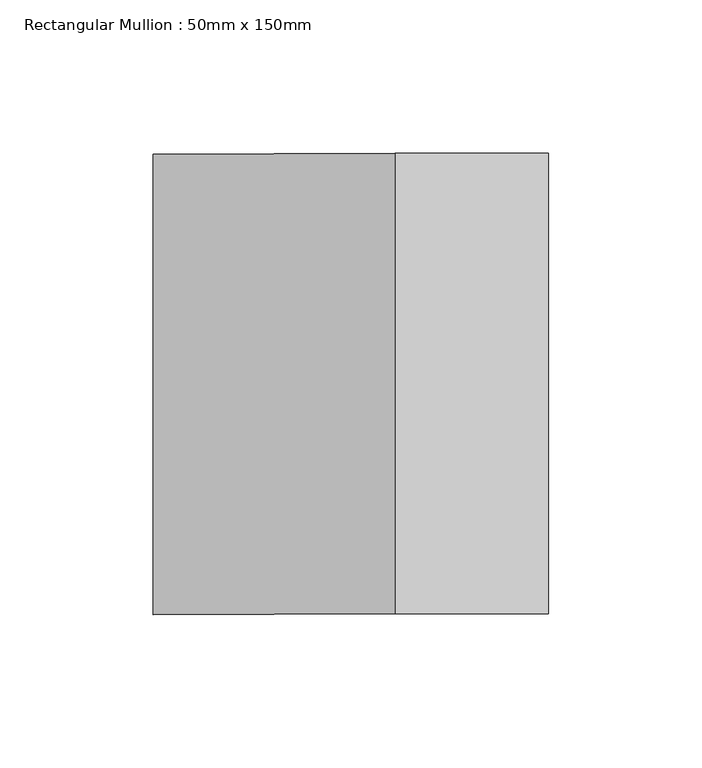
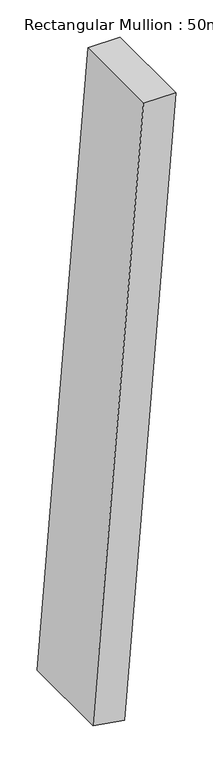
"""IFC4 building model written with IfcOpenShell, lengths in millimetres: member geometry, Rectangular Mullion : 50mm x 150mm."""

from ifc_helpers import new_model, si_unit, point, frame, frame_2d, origin, place, context, project, spatial, polyline, circle_curve, trimmed, segment, composite_curve, outline, extrude, source, transform, mapped, element, save


def rectangular_mullion_50mm_x_150mm_dcc6ee94(model_context):
    return source(origin(), model_context, "Body", "SweptSolid", [
        extrude(outline(composite_curve([segment(trimmed(circle_curve(frame_2d((0.0, -6346.1004829)), 6346.1004829), [point((-1000.6774554, -79.3919394))], [point((0.0, 0.0))], False, "CARTESIAN"), True, "CONTINUOUS"), segment(polyline([(0.0, 0.0), (0.0, -50.0)]), True, "CONTINUOUS"), segment(trimmed(circle_curve(frame_2d((0.0, -6346.1004829)), 6296.1004829), [point((0.0, -50.0))], [point((-992.7932637, -128.7664219))], True, "CARTESIAN"), True, "CONTINUOUS"), segment(polyline([(-992.7932637, -128.7664219), (-1000.6774554, -79.3919394)]), True, "CONTINUOUS")], self_intersect=False)), frame((0.0, -75.0, 0.0), z_axis=(0.0, 1.0, 0.0), x_axis=(0.0, 0.0, 1.0)), (0.0, 0.0, 1.0), 150.0),
    ])


if __name__ == "__main__":
    model = new_model("IFC4")
    model_context = context("Model", 3, world=origin())
    ifc_project = project(units=[si_unit("LENGTHUNIT", "METRE", prefix="MILLI")], contexts=[model_context])
    site = spatial("IfcSite", under=ifc_project)
    building = spatial("IfcBuilding", under=site)
    placement = place(None, origin())
    rectangular_mullion_50mm_x_150mm_shape = rectangular_mullion_50mm_x_150mm_dcc6ee94(model_context)
    element("IfcMember", 1, ObjectType="Rectangular Mullion : 50mm x 150mm", at=placement, inside=building, context=model_context, shape_type="MappedRepresentation", body=[
        mapped(rectangular_mullion_50mm_x_150mm_shape, transform((0.0, 0.0, 0.0), x_axis=(1.0, 0.0, 0.0), y_axis=(0.0, 1.0, 0.0), z_axis=(0.0, 0.0, 1.0))),
    ])
    save(model, "model.ifc")
